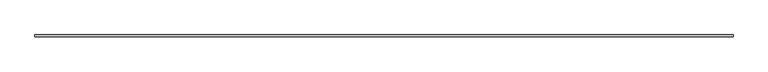
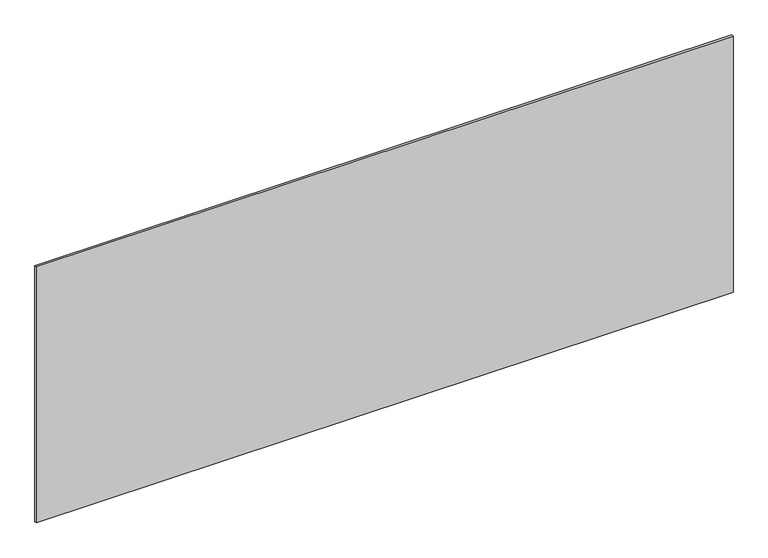
"""IFC4 building model written with IfcOpenShell, lengths in millimetres: plate geometry."""

from ifc_helpers import new_model, si_unit, origin, origin_with_axes, place, context, project, spatial, polyline, outline, extrude, source, transform, mapped, element, save


def plate_b8464858(model_context):
    return source(origin(), model_context, "Body", "SweptSolid", [
        extrude(outline(polyline([(1715.0, -5.0), (-1715.0, -5.0), (-1715.0, 5.0), (1715.0, 5.0), (1715.0, -5.0)])), origin_with_axes(), (0.0, 0.0, 1.0), 1331.9755531),
    ])


if __name__ == "__main__":
    model = new_model("IFC4")
    model_context = context("Model", 3, world=origin())
    ifc_project = project(units=[si_unit("LENGTHUNIT", "METRE", prefix="MILLI")], contexts=[model_context])
    site = spatial("IfcSite", under=ifc_project)
    building = spatial("IfcBuilding", under=site)
    placement = place(None, origin())
    plate_shape = plate_b8464858(model_context)
    element("IfcPlate", 1, at=placement, inside=building, context=model_context, shape_type="MappedRepresentation", body=[
        mapped(plate_shape, transform((0.0, 0.0, 0.0), x_axis=(1.0, 0.0, 0.0), y_axis=(0.0, 1.0, 0.0), z_axis=(0.0, 0.0, 1.0))),
    ])
    save(model, "model.ifc")
